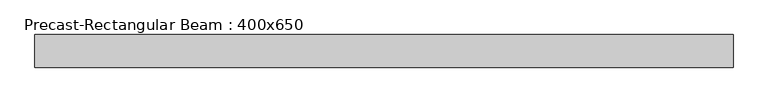
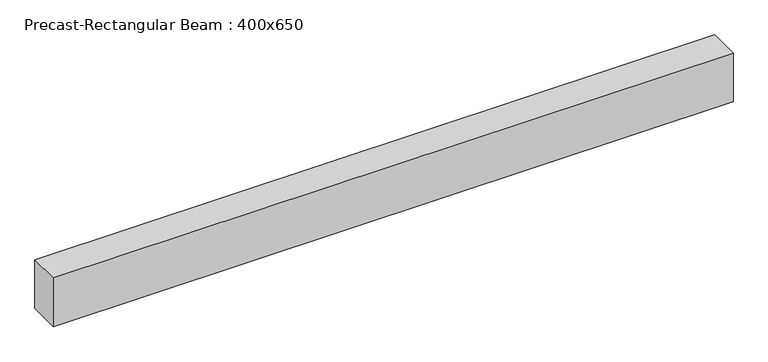
"""IFC4 building model written with IfcOpenShell, lengths in millimetres: beam geometry, Precast-Rectangular Beam : 400x650."""

from ifc_helpers import new_model, si_unit, frame, origin, place, context, project, spatial, polyline, outline, extrude, source, transform, mapped, element, save


def precast_rectangular_beam_400x650_d7f3cc5a(model_context):
    return source(origin(), model_context, "Body", "SweptSolid", [
        extrude(outline(polyline([(-4280.0, -200.0), (-4280.0, 200.0), (4280.0, 200.0), (4280.0, -200.0), (-4280.0, -200.0)])), frame((0.0, 0.0, -325.0), z_axis=(0.0, 0.0, 1.0), x_axis=(1.0, 0.0, 0.0)), (0.0, 0.0, 1.0), 650.0),
    ])


if __name__ == "__main__":
    model = new_model("IFC4")
    model_context = context("Model", 3, world=origin())
    ifc_project = project(units=[si_unit("LENGTHUNIT", "METRE", prefix="MILLI")], contexts=[model_context])
    site = spatial("IfcSite", under=ifc_project)
    building = spatial("IfcBuilding", under=site)
    placement = place(None, origin())
    precast_rectangular_beam_400x650_shape = precast_rectangular_beam_400x650_d7f3cc5a(model_context)
    element("IfcBeam", 1, ObjectType="Precast-Rectangular Beam : 400x650", at=placement, inside=building, context=model_context, shape_type="MappedRepresentation", body=[
        mapped(precast_rectangular_beam_400x650_shape, transform((0.0, 0.0, 0.0), x_axis=(1.0, 0.0, 0.0), y_axis=(0.0, 1.0, 0.0), z_axis=(0.0, 0.0, 1.0))),
    ])
    save(model, "model.ifc")
